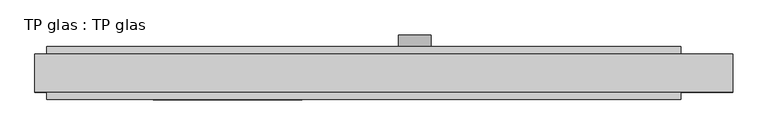
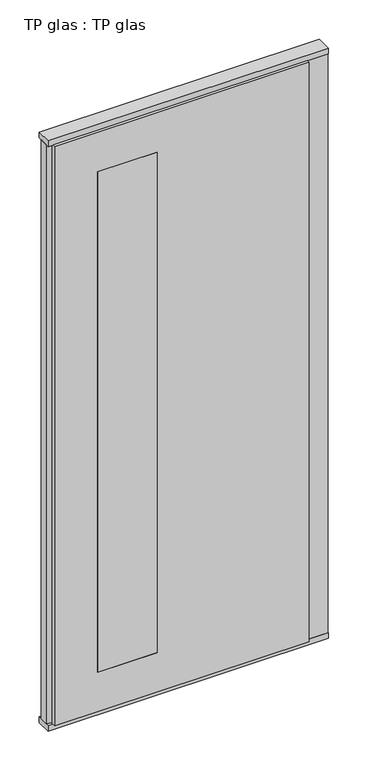
"""IFC4 building model written with IfcOpenShell, lengths in millimetres: plate geometry, TP glas : TP glas."""

from ifc_helpers import new_model, si_unit, point, frame, frame_2d, origin, origin_with_axes, place, context, project, spatial, polyline, circle_curve, trimmed, segment, composite_curve, outline, extrude, faceted_brep, source, transform, mapped, element, save


def tp_glas_tp_glas_917c1329(model_context):
    return source(origin(), model_context, "Body", "SolidModel", [
        faceted_brep([(-570.0, 22.9993165, 25.0), (-570.0, 22.9993165, 2602.0), (-570.0, 45.0, 2602.0), (-570.0, 45.0, 25.0), (-590.0, 17.6401049, 25.0), (-590.0, 17.6401049, 2602.0), (-590.0, -17.6401049, 25.0), (-590.0, -17.6401049, 2602.0), (-570.0, -22.9993165, 25.0), (-570.0, -22.9993165, 2602.0), (-570.0, -45.0, 25.0), (-570.0, -45.0, 2602.0), (502.0507813, -45.0, 25.0), (502.0507813, 45.0, 25.0), (502.0507813, 30.5, 25.0), (590.0, 30.5, 25.0), (590.0, -30.5, 25.0), (502.0507813, -30.5, 25.0), (502.0507813, -30.5, 2602.0), (502.0507813, -45.0, 2602.0), (590.0, -30.5, 2602.0), (590.0, 30.5, 2602.0), (502.0507813, 30.5, 2602.0), (502.0507813, 45.0, 2602.0), (-390.0, 45.0, 2427.0), (-390.0, 45.0, 200.0), (-137.9492187, 45.0, 200.0), (-137.9492187, 45.0, 2427.0), (-137.9492187, -45.0, 2427.0), (-137.9492187, -45.0, 200.0), (-390.0, -45.0, 200.0), (-390.0, -45.0, 2427.0)], [[[0, 1, 2, 3]], [[4, 5, 1, 0]], [[6, 7, 5, 4]], [[8, 9, 7, 6]], [[10, 11, 9, 8]], [[12, 10, 8, 6, 4, 0, 3, 13, 14, 15, 16, 17]], [[17, 18, 19, 12]], [[16, 20, 18, 17]], [[15, 21, 20, 16]], [[14, 22, 21, 15]], [[13, 23, 22, 14]], [[3, 2, 23, 13], [24, 25, 26, 27]], [[11, 10, 12, 19], [28, 29, 30, 31]], [[23, 2, 1, 5, 7, 9, 11, 19, 18, 20, 21, 22]], [[28, 31, 24, 27]], [[31, 30, 25, 24]], [[30, 29, 26, 25]], [[27, 26, 29, 28]]]),
        extrude(outline(polyline([(-590.0, 32.0), (590.0, 32.0), (590.0, -32.0), (-590.0, -32.0), (-590.0, 32.0)])), origin_with_axes(), (0.0, 0.0, 1.0), 25.0),
        extrude(outline(polyline([(-590.0, 32.0), (590.0, 32.0), (590.0, -32.0), (-590.0, -32.0), (-590.0, 32.0)])), frame((0.0, 0.0, 2602.0), z_axis=(0.0, 0.0, 1.0), x_axis=(1.0, 0.0, 0.0)), (0.0, 0.0, 1.0), 25.0),
        extrude(outline(composite_curve([segment(trimmed(circle_curve(frame_2d((1040.0, 52.0507813)), 27.5), [point((1040.0, 79.5507813))], [point((1040.0, 24.5507813))], False, "CARTESIAN"), True, "CONTINUOUS"), segment(trimmed(circle_curve(frame_2d((1040.0, 52.0507813)), 27.5), [point((1040.0, 24.5507813))], [point((1040.0, 79.5507813))], False, "CARTESIAN"), True, "CONTINUOUS")], self_intersect=False), holes=[composite_curve([segment(trimmed(circle_curve(frame_2d((1040.0, 52.0507813)), 10.0), [point((1040.0, 62.0507813))], [point((1040.0, 42.0507813))], True, "CARTESIAN"), True, "CONTINUOUS"), segment(trimmed(circle_curve(frame_2d((1040.0, 52.0507813)), 10.0), [point((1040.0, 42.0507813))], [point((1040.0, 62.0507813))], True, "CARTESIAN"), True, "CONTINUOUS")], self_intersect=False)]), frame((0.0, 45.0, 0.0), z_axis=(0.0, 1.0, 0.0), x_axis=(0.0, 0.0, 1.0)), (0.0, 0.0, 1.0), 20.0),
        extrude(outline(polyline([(-137.9492187, 45.0), (-137.9492187, -45.0), (-390.0, -45.0), (-390.0, 45.0), (-137.9492187, 45.0)])), frame((0.0, 0.0, 200.0), z_axis=(0.0, 0.0, 1.0), x_axis=(1.0, 0.0, 0.0)), (0.0, 0.0, 1.0), 2227.0),
    ])


if __name__ == "__main__":
    model = new_model("IFC4")
    model_context = context("Model", 3, world=origin())
    ifc_project = project(units=[si_unit("LENGTHUNIT", "METRE", prefix="MILLI")], contexts=[model_context])
    site = spatial("IfcSite", under=ifc_project)
    building = spatial("IfcBuilding", under=site)
    placement = place(None, origin())
    tp_glas_tp_glas_shape = tp_glas_tp_glas_917c1329(model_context)
    element("IfcPlate", 1, ObjectType="TP glas : TP glas", at=placement, inside=building, context=model_context, shape_type="MappedRepresentation", body=[
        mapped(tp_glas_tp_glas_shape, transform((0.0, 0.0, 0.0), x_axis=(1.0, 0.0, 0.0), y_axis=(0.0, 1.0, 0.0), z_axis=(0.0, 0.0, 1.0))),
    ])
    save(model, "model.ifc")
